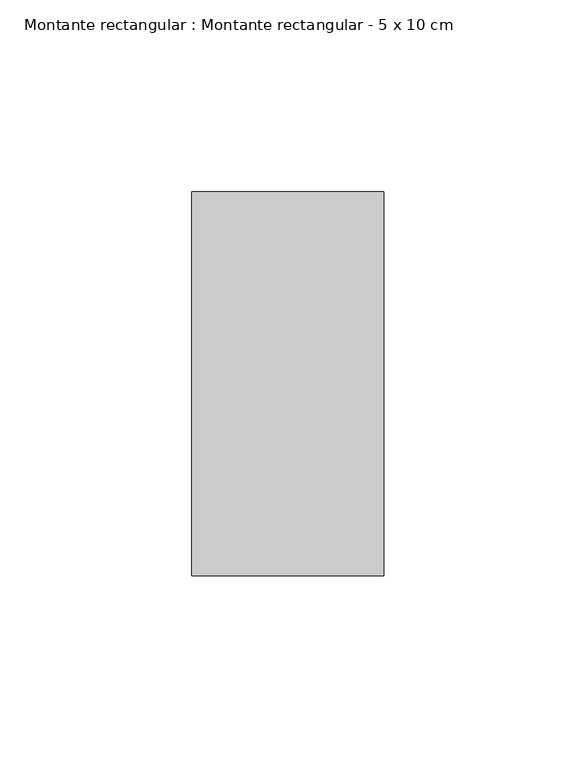
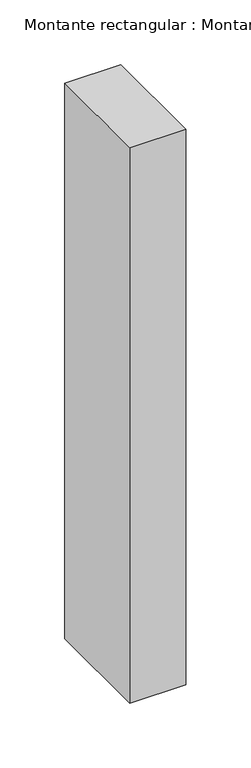
"""IFC4 building model written with IfcOpenShell, lengths in millimetres: member geometry, Montante rectangular : Montante rectangular - 5 x 10 cm."""

from ifc_helpers import new_model, si_unit, frame, origin, place, context, project, spatial, polyline, outline, extrude, source, transform, mapped, element, save


def montante_rectangular_montante_rectangular_5_x_10_cm_86596e0d(model_context):
    return source(origin(), model_context, "Body", "SweptSolid", [
        extrude(outline(polyline([(-50.0, 50.0), (0.0, 50.0), (0.0, -50.0), (-50.0, -50.0), (-50.0, 50.0)])), frame((0.0, 0.0, -523.0), z_axis=(0.0, 0.0, 1.0), x_axis=(1.0, 0.0, 0.0)), (0.0, 0.0, 1.0), 523.0),
    ])


if __name__ == "__main__":
    model = new_model("IFC4")
    model_context = context("Model", 3, world=origin())
    ifc_project = project(units=[si_unit("LENGTHUNIT", "METRE", prefix="MILLI")], contexts=[model_context])
    site = spatial("IfcSite", under=ifc_project)
    building = spatial("IfcBuilding", under=site)
    placement = place(None, origin())
    montante_rectangular_montante_rectangular_5_x_10_cm_shape = montante_rectangular_montante_rectangular_5_x_10_cm_86596e0d(model_context)
    element("IfcMember", 1, ObjectType="Montante rectangular : Montante rectangular - 5 x 10 cm", at=placement, inside=building, context=model_context, shape_type="MappedRepresentation", body=[
        mapped(montante_rectangular_montante_rectangular_5_x_10_cm_shape, transform((0.0, 0.0, 0.0), x_axis=(1.0, 0.0, 0.0), y_axis=(0.0, 1.0, 0.0), z_axis=(0.0, 0.0, 1.0))),
    ])
    save(model, "model.ifc")
